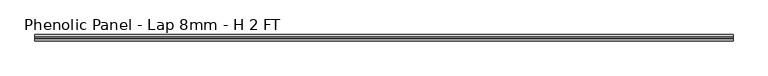
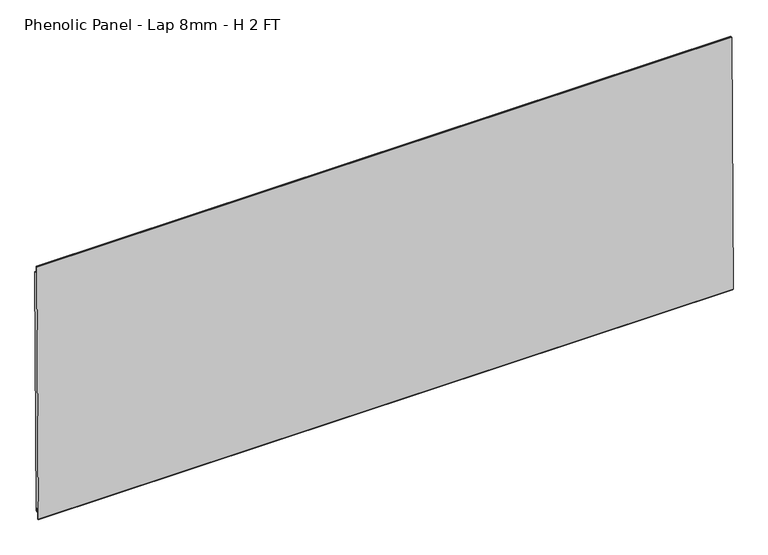
"""IFC4 building model written with IfcOpenShell, lengths in millimetres: proxy geometry, Phenolic Panel - Lap 8mm - H 2 FT."""

from ifc_helpers import new_model, si_unit, frame, origin, place, context, project, spatial, polyline, outline, extrude, source, transform, mapped, element, save


def phenolic_panel_lap_8mm_h_2_ft_b06d7b47(model_context):
    return source(origin(), model_context, "Body", "SweptSolid", [
        extrude(outline(polyline([(2.7732555, 593.6735917), (-2.4688477, 47.5987522), (-4.849988, 47.6216102), (-4.7737946, 55.5587445), (-7.3533633, 55.5835073), (-7.5819434, 31.7721044), (-9.5523841, 31.7910199), (-10.5487117, 32.8066615), (-5.0211492, 608.618069), (-4.0055075, 609.6143966), (-2.6240021, 609.6011347), (-2.7763888, 593.7268661), (2.7732555, 593.6735917)])), frame((-290.5125, 0.0, 0.0), z_axis=(1.0, 0.0, 0.0), x_axis=(0.0, 1.0, 0.0)), (0.0, 0.0, 1.0), 1509.7125),
    ])


if __name__ == "__main__":
    model = new_model("IFC4")
    model_context = context("Model", 3, world=origin())
    ifc_project = project(units=[si_unit("LENGTHUNIT", "METRE", prefix="MILLI")], contexts=[model_context])
    site = spatial("IfcSite", under=ifc_project)
    building = spatial("IfcBuilding", under=site)
    placement = place(None, origin())
    phenolic_panel_lap_8mm_h_2_ft_shape = phenolic_panel_lap_8mm_h_2_ft_b06d7b47(model_context)
    element("IfcBuildingElementProxy", 1, Name="Phenolic Panel - Lap 8mm - H 2 FT", ObjectType="Phenolic Panel - Lap 8mm - H 2 FT", at=placement, inside=building, context=model_context, shape_type="MappedRepresentation", body=[
        mapped(phenolic_panel_lap_8mm_h_2_ft_shape, transform((0.0, 0.0, 0.0), x_axis=(1.0, 0.0, 0.0), y_axis=(0.0, 1.0, 0.0), z_axis=(0.0, 0.0, 1.0))),
    ])
    save(model, "model.ifc")
